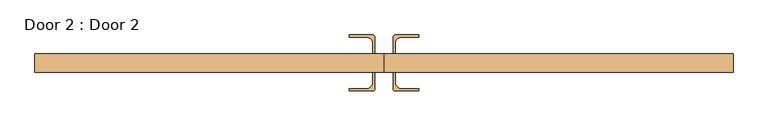
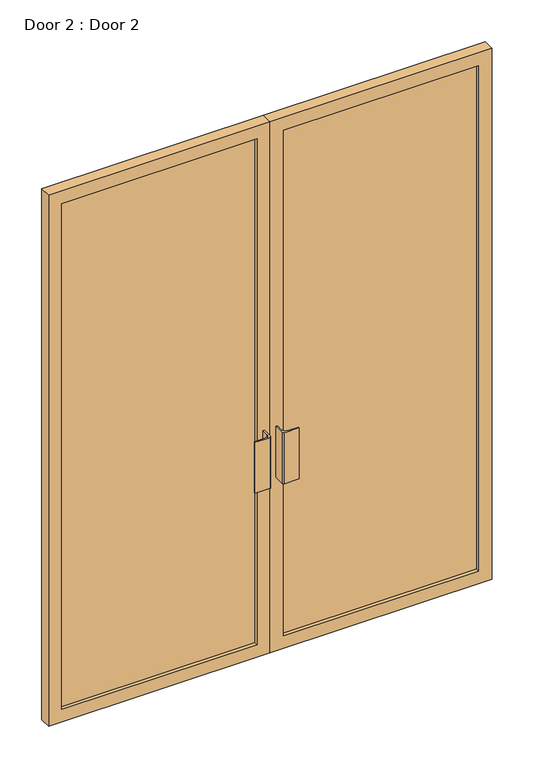
"""IFC4 building model written with IfcOpenShell, lengths in millimetres: door geometry, Door 2 : Door 2."""

from ifc_helpers import new_model, si_unit, point, frame, frame_2d, origin, place, context, project, spatial, polyline, circle_curve, trimmed, segment, composite_curve, outline, extrude, source, transform, mapped, element, save


def door_2_door_2_68ad067c(model_context):
    return source(origin(), model_context, "Body", "SweptSolid", [
        extrude(outline(composite_curve([segment(polyline([(-25.0, -25.0), (-25.0, -70.0)]), True, "CONTINUOUS"), segment(trimmed(circle_curve(frame_2d((-31.0, -70.0)), 6.0), [point((-25.0, -70.0))], [point((-31.0, -76.0))], False, "CARTESIAN"), True, "CONTINUOUS"), segment(polyline([(-31.0, -76.0), (-94.0, -76.0), (-94.0, -70.5), (-48.5, -70.5)]), True, "CONTINUOUS"), segment(trimmed(circle_curve(frame_2d((-48.5, -52.5)), 18.0), [point((-48.5, -70.5))], [point((-30.5, -52.5))], True, "CARTESIAN"), True, "CONTINUOUS"), segment(polyline([(-30.5, -52.5), (-30.5, -25.0), (-25.0, -25.0)]), True, "CONTINUOUS")], self_intersect=False)), frame((0.0, 0.0, 785.0), z_axis=(0.0, 0.0, 1.0), x_axis=(1.0, 0.0, 0.0)), (0.0, 0.0, 1.0), 230.0),
        extrude(outline(composite_curve([segment(polyline([(-25.0, 25.0), (-30.5, 25.0), (-30.5, 52.5)]), True, "CONTINUOUS"), segment(trimmed(circle_curve(frame_2d((-48.5, 52.5)), 18.0), [point((-30.5, 52.5))], [point((-48.5, 70.5))], True, "CARTESIAN"), True, "CONTINUOUS"), segment(polyline([(-48.5, 70.5), (-94.0, 70.5), (-94.0, 76.0), (-31.0, 76.0)]), True, "CONTINUOUS"), segment(trimmed(circle_curve(frame_2d((-31.0, 70.0)), 6.0), [point((-31.0, 76.0))], [point((-25.0, 70.0))], False, "CARTESIAN"), True, "CONTINUOUS"), segment(polyline([(-25.0, 70.0), (-25.0, 25.0)]), True, "CONTINUOUS")], self_intersect=False)), frame((0.0, 0.0, 785.0), z_axis=(0.0, 0.0, 1.0), x_axis=(1.0, 0.0, 0.0)), (0.0, 0.0, 1.0), 230.0),
        extrude(outline(composite_curve([segment(polyline([(25.0, -25.0), (30.5, -25.0), (30.5, -52.5)]), True, "CONTINUOUS"), segment(trimmed(circle_curve(frame_2d((48.5, -52.5)), 18.0), [point((30.5, -52.5))], [point((48.5, -70.5))], True, "CARTESIAN"), True, "CONTINUOUS"), segment(polyline([(48.5, -70.5), (94.0, -70.5), (94.0, -76.0), (31.0, -76.0)]), True, "CONTINUOUS"), segment(trimmed(circle_curve(frame_2d((31.0, -70.0)), 6.0), [point((31.0, -76.0))], [point((25.0, -70.0))], False, "CARTESIAN"), True, "CONTINUOUS"), segment(polyline([(25.0, -70.0), (25.0, -25.0)]), True, "CONTINUOUS")], self_intersect=False)), frame((0.0, 0.0, 785.0), z_axis=(0.0, 0.0, 1.0), x_axis=(1.0, 0.0, 0.0)), (0.0, 0.0, 1.0), 230.0),
        extrude(outline(composite_curve([segment(polyline([(25.0, 25.0), (25.0, 70.0)]), True, "CONTINUOUS"), segment(trimmed(circle_curve(frame_2d((31.0, 70.0)), 6.0), [point((25.0, 70.0))], [point((31.0, 76.0))], False, "CARTESIAN"), True, "CONTINUOUS"), segment(polyline([(31.0, 76.0), (94.0, 76.0), (94.0, 70.5), (48.5, 70.5)]), True, "CONTINUOUS"), segment(trimmed(circle_curve(frame_2d((48.5, 52.5)), 18.0), [point((48.5, 70.5))], [point((30.5, 52.5))], True, "CARTESIAN"), True, "CONTINUOUS"), segment(polyline([(30.5, 52.5), (30.5, 25.0), (25.0, 25.0)]), True, "CONTINUOUS")], self_intersect=False)), frame((0.0, 0.0, 785.0), z_axis=(0.0, 0.0, 1.0), x_axis=(1.0, 0.0, 0.0)), (0.0, 0.0, 1.0), 230.0),
        extrude(outline(polyline([(2400.3, 948.8811964), (2400.3, 0.0), (0.0, 0.0), (0.0, 948.8811964), (2400.3, 948.8811964)]), holes=[polyline([(2343.15, 891.7311964), (57.15, 891.7311964), (57.15, 56.94375), (2343.15, 56.94375), (2343.15, 891.7311964)])]), frame((0.0, -25.0, 0.0), z_axis=(0.0, 1.0, 0.0), x_axis=(0.0, 0.0, 1.0)), (0.0, 0.0, 1.0), 50.0),
        extrude(outline(polyline([(891.7311964, 10.0), (891.7311964, -10.0), (56.94375, -10.0), (56.94375, 10.0), (891.7311964, 10.0)])), frame((0.0, 0.0, 57.15), z_axis=(0.0, 0.0, 1.0), x_axis=(1.0, 0.0, 0.0)), (0.0, 0.0, 1.0), 2286.0),
        extrude(outline(polyline([(-56.94375, 10.0), (-56.94375, -10.0), (-891.7311964, -10.0), (-891.7311964, 10.0), (-56.94375, 10.0)])), frame((0.0, 0.0, 57.15), z_axis=(0.0, 0.0, 1.0), x_axis=(1.0, 0.0, 0.0)), (0.0, 0.0, 1.0), 2286.0),
        extrude(outline(polyline([(2400.3, 0.0), (2400.3, -948.8811964), (0.0, -948.8811964), (0.0, 0.0), (2400.3, 0.0)]), holes=[polyline([(2343.15, -891.7311964), (2343.15, -56.94375), (57.15, -56.94375), (57.15, -891.7311964), (2343.15, -891.7311964)])]), frame((0.0, -25.0, 0.0), z_axis=(0.0, 1.0, 0.0), x_axis=(0.0, 0.0, 1.0)), (0.0, 0.0, 1.0), 50.0),
    ])


if __name__ == "__main__":
    model = new_model("IFC4")
    model_context = context("Model", 3, world=origin())
    ifc_project = project(units=[si_unit("LENGTHUNIT", "METRE", prefix="MILLI")], contexts=[model_context])
    site = spatial("IfcSite", under=ifc_project)
    building = spatial("IfcBuilding", under=site)
    placement = place(None, origin())
    door_2_door_2_shape = door_2_door_2_68ad067c(model_context)
    element("IfcDoor", 1, ObjectType="Door 2 : Door 2", at=placement, inside=building, context=model_context, shape_type="MappedRepresentation", body=[
        mapped(door_2_door_2_shape, transform((0.0, 0.0, 0.0), x_axis=(1.0, 0.0, 0.0), y_axis=(0.0, 1.0, 0.0), z_axis=(0.0, 0.0, 1.0))),
    ])
    save(model, "model.ifc")
